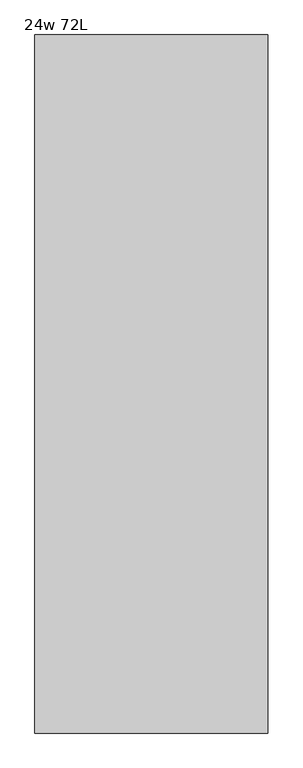
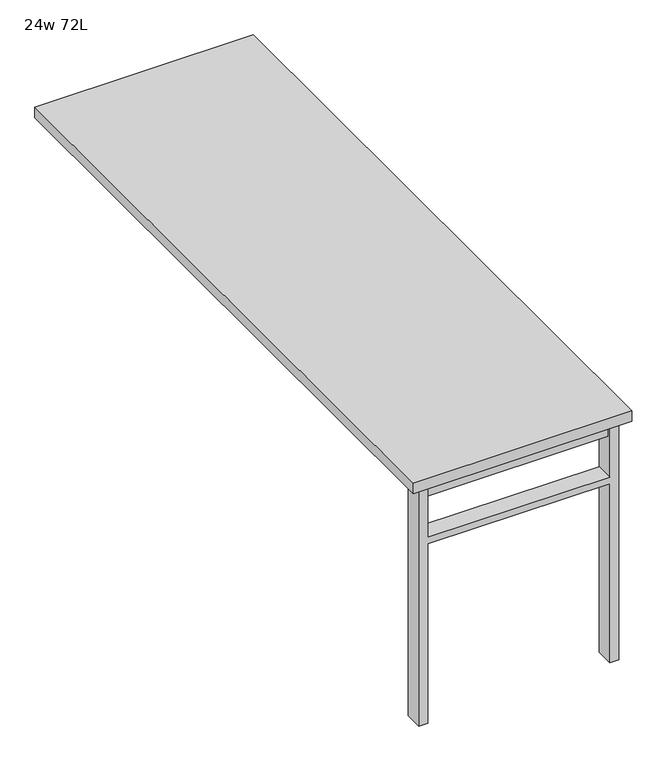
"""IFC4 building model written with IfcOpenShell, lengths in millimetres: furniture geometry, 24w 72L."""

import ifcopenshell
import ifcopenshell.guid

model = None  # the IFC model being written
_history = None  # IfcOwnerHistory: only IFC2X3 demands one
_inside = {}  # id of a spatial element -> (the spatial element, [elements in it])
_under = {}  # id of a project, library or spatial element -> (it, [spatial elements below it])
_declared = {}  # id of a project -> (the project, [libraries it declares])
_typed = {}  # id of a type object -> (the type object, [elements of that type])
_made_of = {}  # id of a material, layer set ... -> (it, [elements and type objects made of it])


def new_model(schema):
    """Start an empty IFC model of exactly this schema.

    Asked for "IFC4X3", IfcOpenShell would pick the latest addendum, in which some entities
    have other attributes; the version numbers below select the first issue.
    IFC2X3 requires an IfcOwnerHistory on every rooted entity: one is made here for all.
    """
    global model, _history
    if schema == "IFC4X3":
        model = ifcopenshell.file(schema_version=(4, 3, 0, 0))
    else:
        model = ifcopenshell.file(schema=schema)
    _inside.clear()
    _under.clear()
    _declared.clear()
    _typed.clear()
    _made_of.clear()
    _history = None
    if model.schema == "IFC2X3":
        org = make("IfcOrganization", Name="unknown")
        user = make(
            "IfcPersonAndOrganization",
            ThePerson=make("IfcPerson", FamilyName="unknown"),
            TheOrganization=org,
        )
        app = make(
            "IfcApplication",
            ApplicationDeveloper=org,
            Version="unknown",
            ApplicationFullName="unknown",
            ApplicationIdentifier="unknown",
        )
        _history = make(
            "IfcOwnerHistory",
            OwningUser=user,
            OwningApplication=app,
            ChangeAction="ADDED",
            CreationDate=0,
        )
    return model


def make(cls, **values):
    """One entity of the class cls with the attributes given. An attribute that is None is left unset."""
    return model.create_entity(
        cls, **{name: value for name, value in values.items() if value is not None}
    )


def rooted(cls, **values):
    """An entity with a GlobalId (a new one), such as an element, a storey or a relation."""
    return make(cls, GlobalId=ifcopenshell.guid.new(), OwnerHistory=_history, **values)


def si_unit(unit_type, name, prefix=None):
    """IfcSIUnit, for example si_unit("LENGTHUNIT", "METRE", prefix="MILLI")."""
    return make("IfcSIUnit", UnitType=unit_type, Prefix=prefix, Name=name)


def assignment(units):
    """IfcUnitAssignment: the units of a project."""
    return None if units is None else make("IfcUnitAssignment", Units=units)


def point(xyz):
    """IfcCartesianPoint."""
    return None if xyz is None else make("IfcCartesianPoint", Coordinates=xyz)


def direction(xyz):
    """IfcDirection."""
    return None if xyz is None else make("IfcDirection", DirectionRatios=xyz)


def frame(location, z_axis=None, x_axis=None):
    """IfcAxis2Placement3D, a coordinate frame: its origin and axes. An axis left out is left unset."""
    return make(
        "IfcAxis2Placement3D",
        Location=point(location),
        Axis=direction(z_axis),
        RefDirection=direction(x_axis),
    )


def origin():
    """The frame at (0, 0, 0) with its axes left unset."""
    return frame((0.0, 0.0, 0.0))


def place(relative_to, where):
    """IfcLocalPlacement: puts the frame where relative to a parent placement (None: the world)."""
    return make(
        "IfcLocalPlacement", PlacementRelTo=relative_to, RelativePlacement=where
    )


def context(
    kind, dimensions, precision=None, world=None, true_north=None, identifier=None
):
    """IfcGeometricRepresentationContext, for example the 3D "Model" context."""
    return make(
        "IfcGeometricRepresentationContext",
        ContextIdentifier=identifier,
        ContextType=kind,
        CoordinateSpaceDimension=dimensions,
        Precision=precision,
        WorldCoordinateSystem=world,
        TrueNorth=true_north,
    )


def project(units=None, contexts=None):
    """IfcProject with its units and contexts."""
    return rooted(
        "IfcProject",
        Name="project",
        RepresentationContexts=contexts,
        UnitsInContext=assignment(units),
    )


def spatial(cls, under=None, at=None, **own):
    """A site, building, storey or space (cls), placed at a placement, below another one or the project."""
    s = rooted(cls, ObjectPlacement=at, **own)
    if under is not None:
        _under.setdefault(under.id(), (under, []))[1].append(s)
    return s


def polyline(points):
    """IfcPolyline through the points."""
    return make("IfcPolyline", Points=[point(p) for p in points])


def outline(outer, holes=None, kind="AREA"):
    """IfcArbitraryClosedProfileDef: a profile drawn as a closed curve; with holes, ...WithVoids."""
    if holes is None:
        return make("IfcArbitraryClosedProfileDef", ProfileType=kind, OuterCurve=outer)
    return make(
        "IfcArbitraryProfileDefWithVoids",
        ProfileType=kind,
        OuterCurve=outer,
        InnerCurves=holes,
    )


def extrude(swept, where, along, depth):
    """IfcExtrudedAreaSolid: the profile swept, set in the frame where, extruded along a direction by depth."""
    return make(
        "IfcExtrudedAreaSolid",
        SweptArea=swept,
        Position=where,
        ExtrudedDirection=direction(along),
        Depth=depth,
    )


def shape(context_of_items, identifier, shape_type, items):
    """IfcShapeRepresentation: the items that make up one representation, for example the "Body"."""
    return make(
        "IfcShapeRepresentation",
        ContextOfItems=context_of_items,
        RepresentationIdentifier=identifier,
        RepresentationType=shape_type,
        Items=items,
    )


def source(mapping_origin, context_of_items, identifier, shape_type, items):
    """IfcRepresentationMap: a shape defined once, which mapped items show again and again."""
    return make(
        "IfcRepresentationMap",
        MappingOrigin=mapping_origin,
        MappedRepresentation=shape(context_of_items, identifier, shape_type, items),
    )


def transform(
    local_origin,
    x_axis=None,
    y_axis=None,
    z_axis=None,
    scale=None,
    scale2=None,
    scale3=None,
    uniform=True,
):
    """IfcCartesianTransformationOperator3D, or its non-uniform kind. x_axis, y_axis, z_axis: its Axis1, 2, 3."""
    if uniform:
        return make(
            "IfcCartesianTransformationOperator3D",
            Axis1=direction(x_axis),
            Axis2=direction(y_axis),
            LocalOrigin=point(local_origin),
            Scale=scale,
            Axis3=direction(z_axis),
        )
    return make(
        "IfcCartesianTransformationOperator3DnonUniform",
        Axis1=direction(x_axis),
        Axis2=direction(y_axis),
        LocalOrigin=point(local_origin),
        Scale=scale,
        Axis3=direction(z_axis),
        Scale2=scale2,
        Scale3=scale3,
    )


def mapped(mapping_source, mapping_target):
    """IfcMappedItem: shows the shape of a source again, moved by a transform."""
    return make(
        "IfcMappedItem", MappingSource=mapping_source, MappingTarget=mapping_target
    )


def made_of(thing, what):
    """Note that an element or type object is made of a material, layer set ...; save() writes the relation."""
    if what is not None:
        _made_of.setdefault(what.id(), (what, []))[1].append(thing)
    return thing


def element(
    cls,
    number,
    at=None,
    inside=None,
    cuts=None,
    type_object=None,
    material=None,
    context=None,
    identifier="Body",
    shape_type=None,
    held_by="IfcProductDefinitionShape",
    body=None,
    shapes=None,
    **own,
):
    """One element of the class cls, such as IfcWall. Its Tag is "e" and its number.

    at: its placement. inside: the storey or other place that contains it. cuts: it is an
    opening in that element (IfcRelVoidsElement). A single representation is given by context,
    identifier, shape_type and body (its items); several are given by shapes. held_by: the class
    of the entity that holds the representations. save() writes the other relations.
    """
    e = rooted(cls, Tag="e%d" % number, ObjectPlacement=at, **own)
    if body is not None:
        shapes = [shape(context, identifier, shape_type, body)]
    if shapes is not None:
        e.Representation = make(held_by, Representations=shapes)
    if inside is not None:
        _inside.setdefault(inside.id(), (inside, []))[1].append(e)
    if cuts is not None:
        rooted(
            "IfcRelVoidsElement", RelatingBuildingElement=cuts, RelatedOpeningElement=e
        )
    if type_object is not None:
        _typed.setdefault(type_object.id(), (type_object, []))[1].append(e)
    return made_of(e, material)


def aggregate(whole, parts):
    """IfcRelAggregates: a whole, such as a stair, and the parts it consists of."""
    return rooted("IfcRelAggregates", RelatingObject=whole, RelatedObjects=parts)


def save(model, path):
    """Write the relations noted so far, then the file.

    IfcRelAggregates (storeys below a building ...), IfcRelContainedInSpatialStructure (elements
    in a storey), IfcRelDefinesByType, IfcRelAssociatesMaterial and IfcRelDeclares: one each for
    every whole, place, type object, material and project.
    """
    for whole, parts in _under.values():
        aggregate(whole, parts)
    for where, things in _inside.values():
        rooted(
            "IfcRelContainedInSpatialStructure",
            RelatedElements=things,
            RelatingStructure=where,
        )
    for kind, things in _typed.values():
        rooted("IfcRelDefinesByType", RelatedObjects=things, RelatingType=kind)
    for what, things in _made_of.values():
        rooted("IfcRelAssociatesMaterial", RelatedObjects=things, RelatingMaterial=what)
    for by, libraries in _declared.values():
        rooted("IfcRelDeclares", RelatingContext=by, RelatedDefinitions=libraries)
    model.write(path)


def furniture_24w_72l_c449ccbc(model_context):
    return source(origin(), model_context, "Body", "SweptSolid", [
        extrude(outline(polyline([(-254.0, -854.075), (254.0, -854.075), (254.0, -885.825), (-254.0, -885.825), (-254.0, -854.075)])), frame((0.0, 0.0, 661.9875), z_axis=(0.0, 0.0, 1.0), x_axis=(1.0, 0.0, 0.0)), (0.0, 0.0, 1.0), 44.45),
        extrude(outline(polyline([(528.6375, 254.0), (0.0, 254.0), (0.0, 279.4), (706.4375, 279.4), (706.4375, 254.0), (547.6875, 254.0), (547.6875, -254.0), (706.4375, -254.0), (706.4375, -279.4), (0.0, -279.4), (0.0, -254.0), (528.6375, -254.0), (528.6375, 254.0)])), frame((0.0, -895.35, 0.0), z_axis=(0.0, 1.0, 0.0), x_axis=(0.0, 0.0, 1.0)), (0.0, 0.0, 1.0), 50.8),
        extrude(outline(polyline([(-304.8, -914.4), (-304.8, 914.4), (304.8, 914.4), (304.8, -914.4), (-304.8, -914.4)])), frame((0.0, 0.0, 706.4375), z_axis=(0.0, 0.0, 1.0), x_axis=(1.0, 0.0, 0.0)), (0.0, 0.0, 1.0), 30.1625),
    ])


if __name__ == "__main__":
    model = new_model("IFC4")
    model_context = context("Model", 3, world=origin())
    ifc_project = project(units=[si_unit("LENGTHUNIT", "METRE", prefix="MILLI")], contexts=[model_context])
    site = spatial("IfcSite", under=ifc_project)
    building = spatial("IfcBuilding", under=site)
    placement = place(None, origin())
    furniture_24w_72l_shape = furniture_24w_72l_c449ccbc(model_context)
    element("IfcFurniture", 1, ObjectType="24w 72L", at=placement, inside=building, context=model_context, shape_type="MappedRepresentation", body=[
        mapped(furniture_24w_72l_shape, transform((0.0, 0.0, 0.0), x_axis=(1.0, 0.0, 0.0), y_axis=(0.0, 1.0, 0.0), z_axis=(0.0, 0.0, 1.0))),
    ])
    save(model, "model.ifc")
